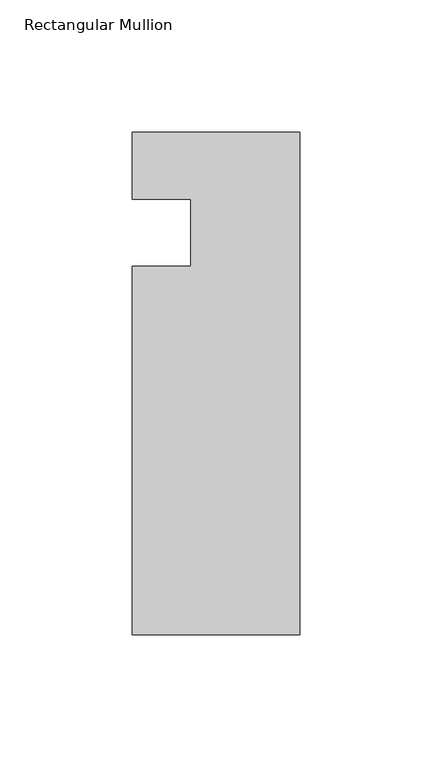
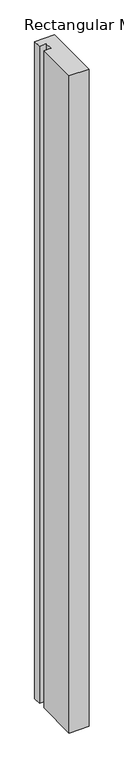
"""IFC4 building model written with IfcOpenShell, lengths in millimetres: member geometry, Rectangular Mullion."""

from ifc_helpers import new_model, si_unit, frame, origin, place, context, project, spatial, polyline, outline, extrude, source, transform, mapped, element, save


def rectangular_mullion_ad07dab1(model_context):
    return source(origin(), model_context, "Body", "SweptSolid", [
        extrude(outline(polyline([(0.0, -152.399995), (-63.5, -152.399995), (-63.5, -12.7), (-41.2751132, -12.7), (-41.2751132, 12.7), (-63.5, 12.7), (-63.5, 38.1), (0.0, 38.1), (0.0, -152.399995)])), frame((0.0, 0.0, -2212.5077323), z_axis=(0.0, 0.0, 1.0), x_axis=(1.0, 0.0, 0.0)), (0.0, 0.0, 1.0), 2212.5077323),
    ])


if __name__ == "__main__":
    model = new_model("IFC4")
    model_context = context("Model", 3, world=origin())
    ifc_project = project(units=[si_unit("LENGTHUNIT", "METRE", prefix="MILLI")], contexts=[model_context])
    site = spatial("IfcSite", under=ifc_project)
    building = spatial("IfcBuilding", under=site)
    placement = place(None, origin())
    rectangular_mullion_shape = rectangular_mullion_ad07dab1(model_context)
    element("IfcMember", 1, ObjectType="Rectangular Mullion", at=placement, inside=building, context=model_context, shape_type="MappedRepresentation", body=[
        mapped(rectangular_mullion_shape, transform((0.0, 0.0, 0.0), x_axis=(1.0, 0.0, 0.0), y_axis=(0.0, 1.0, 0.0), z_axis=(0.0, 0.0, 1.0))),
    ])
    save(model, "model.ifc")
